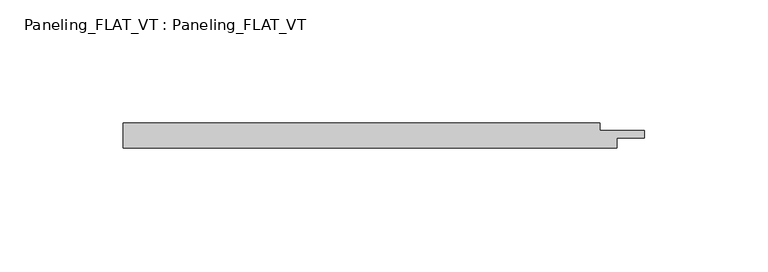
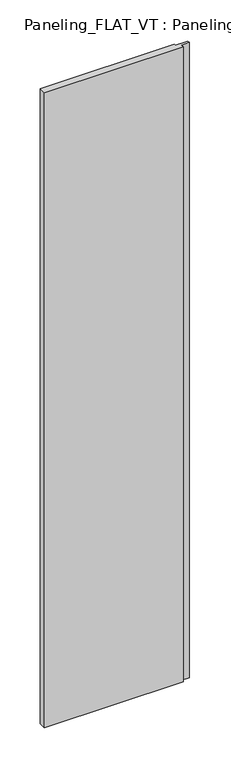
"""IFC4 building model written with IfcOpenShell, lengths in millimetres: plate geometry, Paneling_FLAT_VT : Paneling_FLAT_VT."""

from ifc_helpers import new_model, si_unit, origin, origin_with_axes, place, context, project, spatial, polyline, outline, extrude, source, transform, mapped, element, save


def paneling_flat_vt_paneling_flat_vt_7e626b01(model_context):
    return source(origin(), model_context, "Body", "SweptSolid", [
        extrude(outline(polyline([(-100.0, -5.0), (-100.0, 5.0), (93.0, 5.0), (93.0, 2.0), (111.0, 2.0), (111.0, -1.0), (100.0, -1.0), (100.0, -5.0), (-100.0, -5.0)])), origin_with_axes(), (0.0, 0.0, 1.0), 966.8),
    ])


if __name__ == "__main__":
    model = new_model("IFC4")
    model_context = context("Model", 3, world=origin())
    ifc_project = project(units=[si_unit("LENGTHUNIT", "METRE", prefix="MILLI")], contexts=[model_context])
    site = spatial("IfcSite", under=ifc_project)
    building = spatial("IfcBuilding", under=site)
    placement = place(None, origin())
    paneling_flat_vt_paneling_flat_vt_shape = paneling_flat_vt_paneling_flat_vt_7e626b01(model_context)
    element("IfcPlate", 1, ObjectType="Paneling_FLAT_VT : Paneling_FLAT_VT", at=placement, inside=building, context=model_context, shape_type="MappedRepresentation", body=[
        mapped(paneling_flat_vt_paneling_flat_vt_shape, transform((0.0, 0.0, 0.0), x_axis=(1.0, 0.0, 0.0), y_axis=(0.0, 1.0, 0.0), z_axis=(0.0, 0.0, 1.0))),
    ])
    save(model, "model.ifc")
